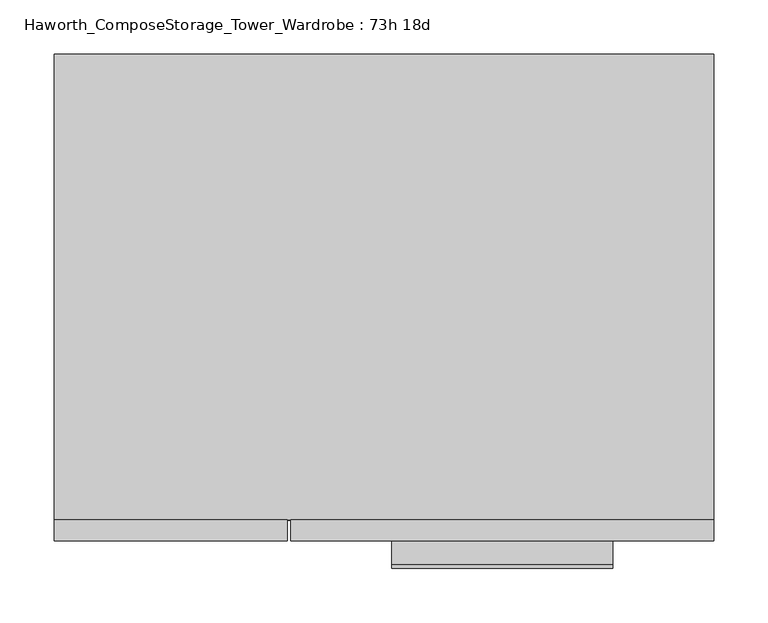
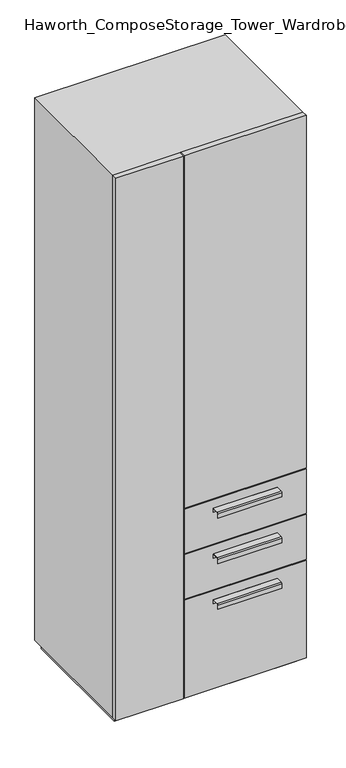
"""IFC4 building model written with IfcOpenShell, lengths in millimetres: furniture geometry, Haworth_ComposeStorage_Tower_Wardrobe : 73h 18d."""

from ifc_helpers import new_model, si_unit, point, frame, frame_2d, origin, origin_with_axes, place, context, project, spatial, polyline, circle_curve, trimmed, segment, composite_curve, outline, extrude, faceted_brep, source, transform, mapped, element, save


def haworth_composestorage_tower_wardrobe_73h_18d_7ae2524f(model_context):
    return source(origin(), model_context, "Body", "SolidModel", [
        extrude(outline(composite_curve([segment(polyline([(-255.5875242, 633.9919215), (-233.3625, 633.9919215), (-233.3625, 620.5299525), (-234.1562742, 620.5299525), (-234.1562742, 633.1982199), (-255.5875242, 633.1982199)]), True, "CONTINUOUS"), segment(trimmed(circle_curve(frame_2d((-255.5875242, 630.8142808)), 2.3839392), [point((-255.5875242, 633.1982199))], [point((-257.9714634, 630.8142808))], True, "CARTESIAN"), True, "CONTINUOUS"), segment(polyline([(-257.9714634, 630.8142808), (-257.9714634, 616.2119021), (-258.7624758, 616.2119021), (-258.7624758, 630.8169699)]), True, "CONTINUOUS"), segment(trimmed(circle_curve(frame_2d((-255.5875242, 630.8169699)), 3.1749516), [point((-258.7624758, 630.8169699))], [point((-255.5875242, 633.9919215))], False, "CARTESIAN"), True, "CONTINUOUS")], self_intersect=False)), frame((7.1576406, 0.0, 0.0), z_axis=(1.0, 0.0, 0.0), x_axis=(0.0, 1.0, 0.0)), (0.0, 0.0, 1.0), 203.2),
        extrude(outline(polyline([(303.2263906, -214.3125), (303.2263906, -233.3625), (-85.7111094, -233.3625), (-85.7111094, -214.3125), (303.2263906, -214.3125)])), frame((0.0, 0.0, 512.7625), z_axis=(0.0, 0.0, 1.0), x_axis=(1.0, 0.0, 0.0)), (0.0, 0.0, 1.0), 150.8125),
        extrude(outline(composite_curve([segment(polyline([(-255.5875242, 480.0044215), (-233.3625, 480.0044215), (-233.3625, 466.5424525), (-234.1562742, 466.5424525), (-234.1562742, 479.2107199), (-255.5875242, 479.2107199)]), True, "CONTINUOUS"), segment(trimmed(circle_curve(frame_2d((-255.5875242, 476.8267808)), 2.3839392), [point((-255.5875242, 479.2107199))], [point((-257.9714634, 476.8267808))], True, "CARTESIAN"), True, "CONTINUOUS"), segment(polyline([(-257.9714634, 476.8267808), (-257.9714634, 462.2244021), (-258.7624758, 462.2244021), (-258.7624758, 476.8294699)]), True, "CONTINUOUS"), segment(trimmed(circle_curve(frame_2d((-255.5875242, 476.8294699)), 3.1749516), [point((-258.7624758, 476.8294699))], [point((-255.5875242, 480.0044215))], False, "CARTESIAN"), True, "CONTINUOUS")], self_intersect=False)), frame((7.1576406, 0.0, 0.0), z_axis=(1.0, 0.0, 0.0), x_axis=(0.0, 1.0, 0.0)), (0.0, 0.0, 1.0), 203.2),
        extrude(outline(polyline([(303.2263906, -214.3125), (303.2263906, -233.3625), (-85.7111094, -233.3625), (-85.7111094, -214.3125), (303.2263906, -214.3125)])), frame((0.0, 0.0, 358.775), z_axis=(0.0, 0.0, 1.0), x_axis=(1.0, 0.0, 0.0)), (0.0, 0.0, 1.0), 150.8125),
        extrude(outline(composite_curve([segment(polyline([(-255.5875242, 326.0169215), (-233.3625, 326.0169215), (-233.3625, 312.5549525), (-234.1562742, 312.5549525), (-234.1562742, 325.2232199), (-255.5875242, 325.2232199)]), True, "CONTINUOUS"), segment(trimmed(circle_curve(frame_2d((-255.5875242, 322.8392808)), 2.3839392), [point((-255.5875242, 325.2232199))], [point((-257.9714634, 322.8392808))], True, "CARTESIAN"), True, "CONTINUOUS"), segment(polyline([(-257.9714634, 322.8392808), (-257.9714634, 308.2369021), (-258.7624758, 308.2369021), (-258.7624758, 322.8419699)]), True, "CONTINUOUS"), segment(trimmed(circle_curve(frame_2d((-255.5875242, 322.8419699)), 3.1749516), [point((-258.7624758, 322.8419699))], [point((-255.5875242, 326.0169215))], False, "CARTESIAN"), True, "CONTINUOUS")], self_intersect=False)), frame((7.1576406, 0.0, 0.0), z_axis=(1.0, 0.0, 0.0), x_axis=(0.0, 1.0, 0.0)), (0.0, 0.0, 1.0), 203.2),
        extrude(outline(polyline([(303.2263906, -214.3125), (303.2263906, -233.3625), (-85.7111094, -233.3625), (-85.7111094, -214.3125), (303.2263906, -214.3125)])), frame((0.0, 0.0, 25.4), z_axis=(0.0, 0.0, 1.0), x_axis=(1.0, 0.0, 0.0)), (0.0, 0.0, 1.0), 330.2),
        extrude(outline(polyline([(303.2263906, -214.3125), (303.2263906, -233.3625), (-85.7111094, -233.3625), (-85.7111094, -214.3125), (303.2263906, -214.3125)])), frame((0.0, 0.0, 666.75), z_axis=(0.0, 0.0, 1.0), x_axis=(1.0, 0.0, 0.0)), (0.0, 0.0, 1.0), 1187.45),
        extrude(outline(polyline([(-303.1986094, -233.3625), (-303.1986094, -214.3125), (-88.8861094, -214.3125), (-88.8861094, -233.3625), (-303.1986094, -233.3625)])), frame((0.0, 0.0, 25.4), z_axis=(0.0, 0.0, 1.0), x_axis=(1.0, 0.0, 0.0)), (0.0, 0.0, 1.0), 1828.8),
        faceted_brep([(-303.1986094, -214.3125, 25.4), (303.2263906, -214.3125, 25.4), (303.2263906, -214.3125, 1854.2), (-303.1986094, -214.3125, 1854.2), (-284.1486094, -214.3125, 44.45), (-284.1486094, -214.3125, 1835.15), (284.1694453, -214.3125, 1835.15), (284.1694453, -214.3125, 44.45), (-303.1986094, 214.3125, 25.4), (-303.1986094, 214.3125, 1854.2), (303.2263906, 214.3125, 1854.2), (303.2263906, 214.3125, 25.4), (-284.1486094, 195.2625, 44.45), (-284.1486094, 195.2625, 1835.15), (284.1694453, 195.2625, 1835.15), (284.1694453, 195.2625, 44.45)], [[[0, 1, 2, 3], [4, 5, 6, 7]], [[8, 9, 10, 11]], [[1, 0, 8, 11]], [[2, 1, 11, 10]], [[3, 2, 10, 9]], [[0, 3, 9, 8]], [[5, 4, 12, 13]], [[6, 5, 13, 14]], [[7, 6, 14, 15]], [[4, 7, 15, 12]], [[13, 12, 15, 14]]]),
        extrude(outline(polyline([(290.5263906, -201.6125), (-290.4986094, -201.6125), (-290.4986094, 201.6125), (290.5263906, 201.6125), (290.5263906, -201.6125)])), origin_with_axes(), (0.0, 0.0, 1.0), 25.4),
    ])


if __name__ == "__main__":
    model = new_model("IFC4")
    model_context = context("Model", 3, world=origin())
    ifc_project = project(units=[si_unit("LENGTHUNIT", "METRE", prefix="MILLI")], contexts=[model_context])
    site = spatial("IfcSite", under=ifc_project)
    building = spatial("IfcBuilding", under=site)
    placement = place(None, origin())
    haworth_composestorage_tower_wardrobe_73h_18d_shape = haworth_composestorage_tower_wardrobe_73h_18d_7ae2524f(model_context)
    element("IfcFurniture", 1, ObjectType="Haworth_ComposeStorage_Tower_Wardrobe : 73h 18d", at=placement, inside=building, context=model_context, shape_type="MappedRepresentation", body=[
        mapped(haworth_composestorage_tower_wardrobe_73h_18d_shape, transform((0.0, 0.0, 0.0), x_axis=(1.0, 0.0, 0.0), y_axis=(0.0, 1.0, 0.0), z_axis=(0.0, 0.0, 1.0))),
    ])
    save(model, "model.ifc")
